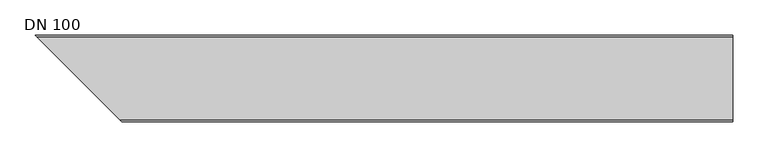
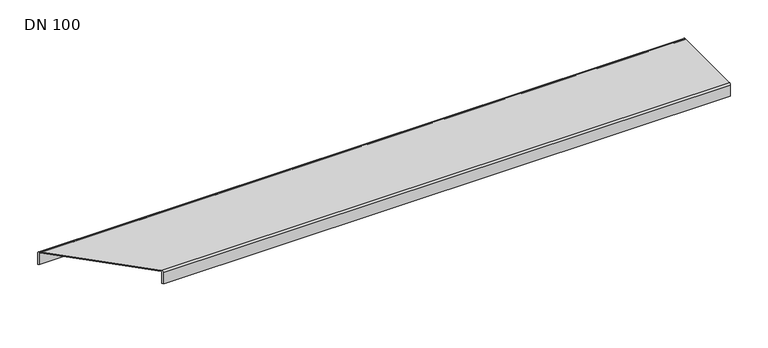
"""IFC4 building model written with IfcOpenShell, lengths in millimetres: sanitary terminal geometry, DN 100."""

from ifc_helpers import new_model, si_unit, frame, origin, place, context, project, spatial, polyline, circle_curve, ellipse_curve, source, transform, mapped, element, save
from ifc_brep_helpers import plane_surface, cylinder_surface, revolved_surface, advanced_brep


def dn_100_f4effb20(model_context):
    return source(origin(), model_context, "Body", "AdvancedBrep", [
        advanced_brep(
        [(1000.0, 61.5, -21.0), (1000.0, 59.5, -21.0), (9.0, 59.5, -21.0), (7.0, 61.5, -21.0), (1000.0, 61.5, -2.5), (1000.0, 59.0, 0.0), (1000.0, -59.0, 0.0), (1000.0, -61.5, -2.5), (1000.0, -61.5, -21.0), (1000.0, -59.5, -21.0), (1000.0, -59.5, -2.5), (1000.0, -59.0, -2.0), (1000.0, 59.0, -2.0), (1000.0, 59.5, -2.5), (9.0, 59.5, -2.5), (7.0, 61.5, -2.5), (9.5, 59.0, -2.0), (9.5, 59.0, 0.0), (127.5, -59.0, -2.0), (127.5, -59.0, 0.0), (128.0, -59.5, -2.5), (130.0, -61.5, -2.5), (130.0, -61.5, -21.0), (128.0, -59.5, -21.0)],
        [
            (0, 1),
            (1, 2),
            (2, 3),
            (3, 0),
            (0, 4),
            (4, 5, circle_curve(frame((1000.0, 59.0, -2.5), z_axis=(1.0, 0.0, 0.0), x_axis=(0.0, 1.0, 0.0)), 2.5)),
            (5, 6),
            (6, 7, circle_curve(frame((1000.0, -59.0, -2.5), z_axis=(1.0, 0.0, 0.0), x_axis=(0.0, 0.0, 1.0)), 2.5)),
            (7, 8),
            (8, 9),
            (9, 10),
            (10, 11, circle_curve(frame((1000.0, -59.0, -2.5), z_axis=(-1.0, 0.0, 0.0), x_axis=(0.0, 0.0, 1.0)), 0.5)),
            (11, 12),
            (12, 13, circle_curve(frame((1000.0, 59.0, -2.5), z_axis=(-1.0, 0.0, 0.0), x_axis=(0.0, 1.0, 0.0)), 0.5)),
            (13, 1),
            (13, 14),
            (14, 2),
            (3, 15),
            (15, 4),
            (12, 16),
            (16, 14, ellipse_curve(frame((9.5, 59.0, -2.5), z_axis=(-0.7071067811865482, -0.707106781186547, 0.0), x_axis=(0.7071067811865467, -0.7071067811865482, 0.0)), 0.7071068, 0.5)),
            (15, 17, ellipse_curve(frame((9.5, 59.0, -2.5), z_axis=(0.7071067811865482, 0.707106781186547, 0.0), x_axis=(0.7071067811865467, -0.7071067811865482, 0.0)), 3.5355339, 2.5)),
            (17, 5),
            (11, 18),
            (18, 16),
            (17, 19),
            (19, 6),
            (10, 20),
            (20, 18, ellipse_curve(frame((127.5, -59.0, -2.5), z_axis=(-0.7071067811865482, -0.707106781186547, 0.0), x_axis=(0.7071067811865467, -0.7071067811865482, 0.0)), 0.7071068, 0.5)),
            (19, 21, ellipse_curve(frame((127.5, -59.0, -2.5), z_axis=(0.7071067811865482, 0.707106781186547, 0.0), x_axis=(0.7071067811865467, -0.7071067811865482, 0.0)), 3.5355339, 2.5)),
            (21, 7),
            (8, 22),
            (22, 23),
            (23, 9),
            (23, 20),
            (21, 22),
        ],
        [
            plane_surface(frame((0.0, 61.5, -21.0), z_axis=(0.0, 0.0, -1.0), x_axis=(1.0, 0.0, 0.0))),
            plane_surface(frame((1000.0, 61.5, -21.0), z_axis=(1.0, 0.0, 0.0), x_axis=(0.0, 0.0, 1.0))),
            plane_surface(frame((1000.0, 59.5, -21.0), z_axis=(0.0, -1.0, 0.0), x_axis=(0.0, 0.0, 1.0))),
            plane_surface(frame((0.0, 61.5, -21.0), z_axis=(0.0, 1.0, 0.0), x_axis=(0.0, 0.0, 1.0))),
            revolved_surface(polyline([(1000.0, 59.5, -2.5), (8.999999986696881, 59.5, -2.5)]), (0.0, 59.0, -2.5), (1.0, 0.0, 0.0)),
            cylinder_surface(frame((0.0, 59.0, -2.5), z_axis=(1.0, 0.0, 0.0), x_axis=(0.0, 1.0, 0.0)), 2.5),
            plane_surface(frame((1000.0, 59.0, -2.0), z_axis=(0.0, 0.0, -1.0), x_axis=(0.0, -1.0, 0.0))),
            plane_surface(frame((0.0, 59.0, 0.0), z_axis=(0.0, 0.0, 1.0), x_axis=(0.0, -1.0, 0.0))),
            revolved_surface(polyline([(1000.0, -59.0, -2.0), (126.99999998669688, -59.0, -2.0)]), (0.0, -59.0, -2.5), (1.0, 0.0, 0.0)),
            cylinder_surface(frame((0.0, -59.0, -2.5), z_axis=(1.0, 0.0, 0.0), x_axis=(0.0, 0.0, 1.0)), 2.5),
            plane_surface(frame((0.0, -61.5, -21.0), z_axis=(0.0, 0.0, -1.0), x_axis=(1.0, 0.0, 0.0))),
            plane_surface(frame((1000.0, -59.5, -2.5), z_axis=(0.0, 1.0, 0.0), x_axis=(0.0, 0.0, -1.0))),
            plane_surface(frame((0.0, -61.5, -2.5), z_axis=(0.0, -1.0, 0.0), x_axis=(0.0, 0.0, -1.0))),
            plane_surface(frame((137.0, -68.5, 0.0), z_axis=(-0.7071067811865482, -0.707106781186547, 0.0), x_axis=(0.0, 0.0, -1.0))),
        ],
        [
            (0, [[1, 2, 3, 4]]),
            (1, [[-1, 5, 6, 7, 8, 9, 10, 11, 12, 13, 14, 15]]),
            (2, [[-15, 16, 17, -2]]),
            (3, [[-5, -4, 18, 19]]),
            (4, [[-14, 20, 21, -16]]),
            (5, [[-6, -19, 22, 23]]),
            (6, [[-13, 24, 25, -20]]),
            (7, [[-7, -23, 26, 27]]),
            (8, [[-12, 28, 29, -24]]),
            (9, [[-8, -27, 30, 31]]),
            (10, [[-10, 32, 33, 34]]),
            (11, [[-11, -34, 35, -28]]),
            (12, [[-9, -31, 36, -32]]),
            (13, [[-3, -17, -21, -25, -29, -35, -33, -36, -30, -26, -22, -18]]),
        ],
    ),
    ])


if __name__ == "__main__":
    model = new_model("IFC4")
    model_context = context("Model", 3, world=origin())
    ifc_project = project(units=[si_unit("LENGTHUNIT", "METRE", prefix="MILLI")], contexts=[model_context])
    site = spatial("IfcSite", under=ifc_project)
    building = spatial("IfcBuilding", under=site)
    placement = place(None, origin())
    dn_100_shape = dn_100_f4effb20(model_context)
    element("IfcSanitaryTerminal", 1, ObjectType="DN 100", at=placement, inside=building, context=model_context, shape_type="MappedRepresentation", body=[
        mapped(dn_100_shape, transform((0.0, 0.0, 0.0), x_axis=(1.0, 0.0, 0.0), y_axis=(0.0, 1.0, 0.0), z_axis=(0.0, 0.0, 1.0))),
    ])
    save(model, "model.ifc")
